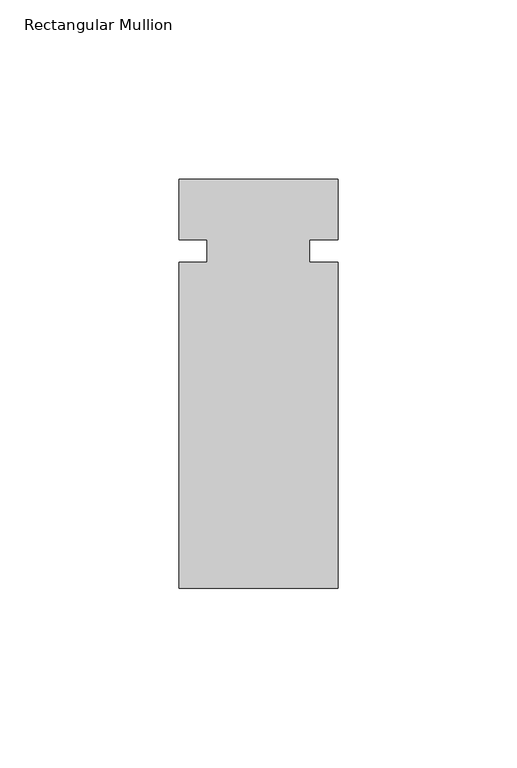
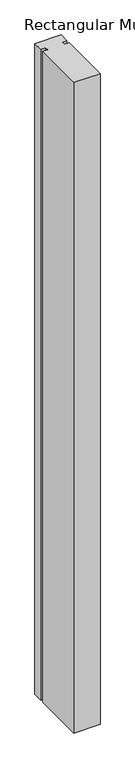
"""IFC4 building model written with IfcOpenShell, lengths in millimetres: member geometry, Rectangular Mullion."""

from ifc_helpers import new_model, si_unit, frame, origin, place, context, project, spatial, polyline, outline, extrude, source, transform, mapped, element, save


def rectangular_mullion_4fa1d3a4(model_context):
    return source(origin(), model_context, "Body", "SweptSolid", [
        extrude(outline(polyline([(-22.2250604, -3.1555912), (-14.2875604, -3.1555912), (-14.2875604, 3.1944088), (-22.2250604, 3.1944088), (-22.2250604, 20.1488824), (22.2249797, 20.1488824), (22.2249797, 3.1944088), (14.2874797, 3.1944088), (14.2874797, -3.1555912), (22.2249797, -3.1555912), (22.2249797, -94.1511191), (-22.2250604, -94.1511191), (-22.2250604, -3.1555912)])), frame((0.0, 0.0, -1166.2740694), z_axis=(0.0, 0.0, 1.0), x_axis=(1.0, 0.0, 0.0)), (0.0, 0.0, 1.0), 1166.2740694),
    ])


if __name__ == "__main__":
    model = new_model("IFC4")
    model_context = context("Model", 3, world=origin())
    ifc_project = project(units=[si_unit("LENGTHUNIT", "METRE", prefix="MILLI")], contexts=[model_context])
    site = spatial("IfcSite", under=ifc_project)
    building = spatial("IfcBuilding", under=site)
    placement = place(None, origin())
    rectangular_mullion_shape = rectangular_mullion_4fa1d3a4(model_context)
    element("IfcMember", 1, ObjectType="Rectangular Mullion", at=placement, inside=building, context=model_context, shape_type="MappedRepresentation", body=[
        mapped(rectangular_mullion_shape, transform((0.0, 0.0, 0.0), x_axis=(1.0, 0.0, 0.0), y_axis=(0.0, 1.0, 0.0), z_axis=(0.0, 0.0, 1.0))),
    ])
    save(model, "model.ifc")
